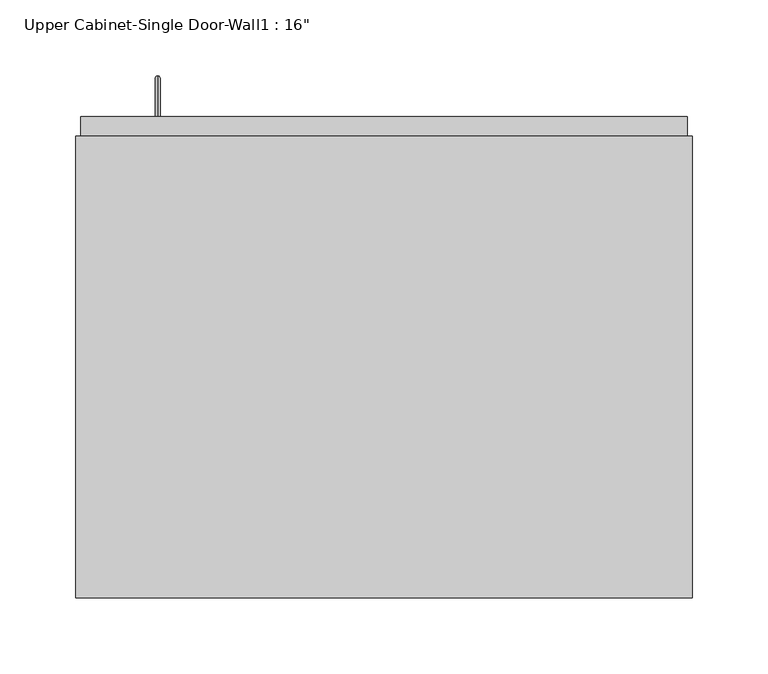
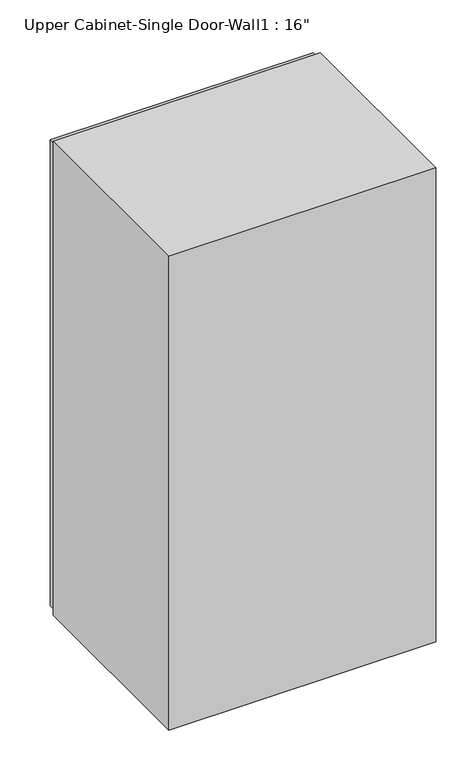
"""IFC4 building model written with IfcOpenShell, lengths in millimetres: furniture geometry."""

from ifc_helpers import new_model, si_unit, frame, origin, place, context, project, spatial, polyline, circle_curve, ellipse_curve, outline, extrude, faceted_brep, source, transform, mapped, element, save
from ifc_brep_helpers import plane_surface, cylinder_surface, advanced_brep


def furniture_aee1fb0b(model_context):
    return source(origin(), model_context, "Body", "SolidModel", [
        advanced_brep(
        [(-119.4538372, 389.875, 1431.925), (-119.4538372, 389.875, 1428.75), (-119.4538372, 413.6875, 1431.925), (-119.4538372, 416.8625, 1428.75), (-119.4538372, 413.6875, 1603.375), (-119.4538372, 416.8625, 1606.55), (-119.4538372, 389.875, 1603.375), (-119.4538372, 389.875, 1606.55)],
        [
            (0, 1, circle_curve(frame((-119.4538372, 389.875, 1430.3375), z_axis=(0.0, -1.0, 0.0), x_axis=(0.0, 0.0, -1.0)), 1.5875)),
            (1, 0, circle_curve(frame((-119.4538372, 389.875, 1430.3375), z_axis=(0.0, -1.0, 0.0), x_axis=(0.0, 0.0, -1.0)), 1.5875)),
            (0, 2),
            (2, 3, ellipse_curve(frame((-119.4538372, 415.275, 1430.3375), z_axis=(0.0, -0.7071067811865536, -0.7071067811865416), x_axis=(0.0, -0.7071067811865415, 0.7071067811865536)), 2.245064, 1.5875)),
            (3, 1),
            (3, 2, ellipse_curve(frame((-119.4538372, 415.275, 1430.3375), z_axis=(0.0, -0.7071067811865536, -0.7071067811865416), x_axis=(0.0, -0.7071067811865415, 0.7071067811865536)), 2.245064, 1.5875)),
            (2, 4),
            (4, 5, ellipse_curve(frame((-119.4538372, 415.275, 1604.9625), z_axis=(0.0, 0.7071067811865415, -0.7071067811865535), x_axis=(0.0, -0.7071067811865533, -0.7071067811865418)), 2.245064, 1.5875)),
            (5, 3),
            (5, 4, ellipse_curve(frame((-119.4538372, 415.275, 1604.9625), z_axis=(0.0, 0.7071067811865415, -0.7071067811865535), x_axis=(0.0, -0.7071067811865533, -0.7071067811865418)), 2.245064, 1.5875)),
            (6, 7, circle_curve(frame((-119.4538372, 389.875, 1604.9625), z_axis=(0.0, -1.0, 0.0), x_axis=(0.0, 0.0, 1.0)), 1.5875)),
            (7, 6, circle_curve(frame((-119.4538372, 389.875, 1604.9625), z_axis=(0.0, -1.0, 0.0), x_axis=(0.0, 0.0, 1.0)), 1.5875)),
            (4, 6),
            (7, 5),
        ],
        [
            plane_surface(frame((-119.4538372, 389.875, 1430.3375), z_axis=(0.0, -1.0, 0.0), x_axis=(-1.0, 0.0, 0.0))),
            cylinder_surface(frame((-119.4538372, 389.875, 1430.3375), z_axis=(0.0, -1.0, 0.0), x_axis=(0.0, 0.0, -1.0)), 1.5875),
            cylinder_surface(frame((-119.4538372, 415.275, 1430.3375), z_axis=(0.0, 0.0, -1.0), x_axis=(0.0, 1.0, 0.0)), 1.5875),
            plane_surface(frame((-119.4538372, 389.875, 1604.9625), z_axis=(0.0, -1.0, 0.0), x_axis=(-1.0, 0.0, 0.0))),
            cylinder_surface(frame((-119.4538372, 415.275, 1604.9625), z_axis=(0.0, 1.0, 0.0), x_axis=(0.0, 0.0, 1.0)), 1.5875),
        ],
        [
            (0, [[1, 2]]),
            (1, [[-1, 3, 4, 5]]),
            (1, [[-2, -5, 6, -3]]),
            (2, [[-4, 7, 8, 9]]),
            (2, [[-6, -9, 10, -7]]),
            (3, [[11, 12]]),
            (4, [[-8, 13, -12, 14]]),
            (4, [[-10, -14, -11, -13]]),
        ],
    ),
        faceted_brep([(-173.4288372, 72.375, 2133.6), (-173.4288372, 72.375, 1371.6), (232.9711628, 72.375, 1371.6), (232.9711628, 72.375, 2133.6), (-173.4288372, 377.175, 2133.6), (232.9711628, 377.175, 2133.6), (232.9711628, 377.175, 1371.6), (-173.4288372, 377.175, 1371.6), (-154.3788372, 377.175, 2114.55), (-154.3788372, 377.175, 1390.65), (213.9211628, 377.175, 1390.65), (213.9211628, 377.175, 2114.55), (213.9211628, 91.425, 2114.55), (-154.3788372, 91.425, 2114.55), (213.9211628, 91.425, 1390.65), (-154.3788372, 91.425, 1390.65)], [[[0, 1, 2, 3]], [[4, 5, 6, 7], [8, 9, 10, 11]], [[1, 0, 4, 7]], [[2, 1, 7, 6]], [[3, 2, 6, 5]], [[0, 3, 5, 4]], [[8, 11, 12, 13]], [[11, 10, 14, 12]], [[10, 9, 15, 14]], [[9, 8, 13, 15]], [[13, 12, 14, 15]]]),
        extrude(outline(polyline([(-170.2538372, 389.875), (229.7961628, 389.875), (229.7961628, 358.125), (-170.2538372, 358.125), (-170.2538372, 389.875)])), frame((0.0, 0.0, 1377.95), z_axis=(0.0, 0.0, 1.0), x_axis=(1.0, 0.0, 0.0)), (0.0, 0.0, 1.0), 749.3),
    ])


if __name__ == "__main__":
    model = new_model("IFC4")
    model_context = context("Model", 3, world=origin())
    ifc_project = project(units=[si_unit("LENGTHUNIT", "METRE", prefix="MILLI")], contexts=[model_context])
    site = spatial("IfcSite", under=ifc_project)
    building = spatial("IfcBuilding", under=site)
    placement = place(None, origin())
    furniture_shape = furniture_aee1fb0b(model_context)
    element("IfcFurniture", 1, ObjectType="Upper Cabinet-Single Door-Wall1 : 16\"", at=placement, inside=building, context=model_context, shape_type="MappedRepresentation", body=[
        mapped(furniture_shape, transform((0.0, 0.0, 0.0), x_axis=(1.0, 0.0, 0.0), y_axis=(0.0, 1.0, 0.0), z_axis=(0.0, 0.0, 1.0))),
    ])
    save(model, "model.ifc")
